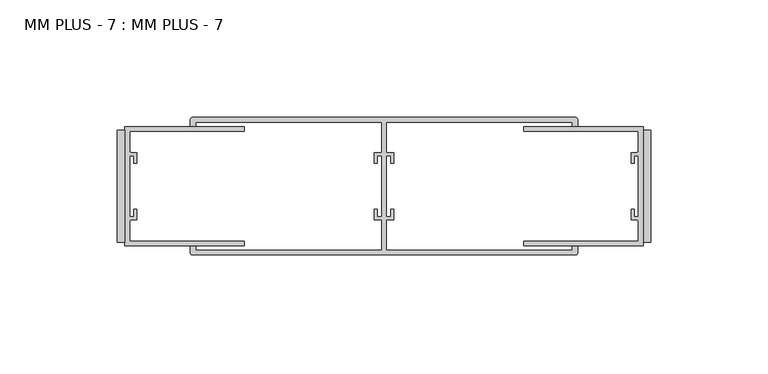
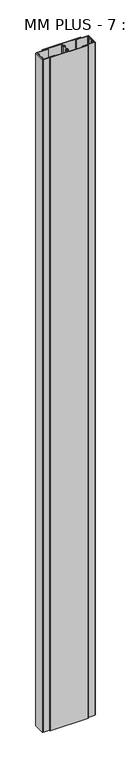
"""IFC4 building model written with IfcOpenShell, lengths in millimetres: proxy geometry, MM PLUS - 7 : MM PLUS - 7."""

import ifcopenshell
import ifcopenshell.guid

model = None  # the IFC model being written
_history = None  # IfcOwnerHistory: only IFC2X3 demands one
_inside = {}  # id of a spatial element -> (the spatial element, [elements in it])
_under = {}  # id of a project, library or spatial element -> (it, [spatial elements below it])
_declared = {}  # id of a project -> (the project, [libraries it declares])
_typed = {}  # id of a type object -> (the type object, [elements of that type])
_made_of = {}  # id of a material, layer set ... -> (it, [elements and type objects made of it])


def new_model(schema):
    """Start an empty IFC model of exactly this schema.

    Asked for "IFC4X3", IfcOpenShell would pick the latest addendum, in which some entities
    have other attributes; the version numbers below select the first issue.
    IFC2X3 requires an IfcOwnerHistory on every rooted entity: one is made here for all.
    """
    global model, _history
    if schema == "IFC4X3":
        model = ifcopenshell.file(schema_version=(4, 3, 0, 0))
    else:
        model = ifcopenshell.file(schema=schema)
    _inside.clear()
    _under.clear()
    _declared.clear()
    _typed.clear()
    _made_of.clear()
    _history = None
    if model.schema == "IFC2X3":
        org = make("IfcOrganization", Name="unknown")
        user = make(
            "IfcPersonAndOrganization",
            ThePerson=make("IfcPerson", FamilyName="unknown"),
            TheOrganization=org,
        )
        app = make(
            "IfcApplication",
            ApplicationDeveloper=org,
            Version="unknown",
            ApplicationFullName="unknown",
            ApplicationIdentifier="unknown",
        )
        _history = make(
            "IfcOwnerHistory",
            OwningUser=user,
            OwningApplication=app,
            ChangeAction="ADDED",
            CreationDate=0,
        )
    return model


def make(cls, **values):
    """One entity of the class cls with the attributes given. An attribute that is None is left unset."""
    return model.create_entity(
        cls, **{name: value for name, value in values.items() if value is not None}
    )


def rooted(cls, **values):
    """An entity with a GlobalId (a new one), such as an element, a storey or a relation."""
    return make(cls, GlobalId=ifcopenshell.guid.new(), OwnerHistory=_history, **values)


def si_unit(unit_type, name, prefix=None):
    """IfcSIUnit, for example si_unit("LENGTHUNIT", "METRE", prefix="MILLI")."""
    return make("IfcSIUnit", UnitType=unit_type, Prefix=prefix, Name=name)


def assignment(units):
    """IfcUnitAssignment: the units of a project."""
    return None if units is None else make("IfcUnitAssignment", Units=units)


def point(xyz):
    """IfcCartesianPoint."""
    return None if xyz is None else make("IfcCartesianPoint", Coordinates=xyz)


def direction(xyz):
    """IfcDirection."""
    return None if xyz is None else make("IfcDirection", DirectionRatios=xyz)


def frame(location, z_axis=None, x_axis=None):
    """IfcAxis2Placement3D, a coordinate frame: its origin and axes. An axis left out is left unset."""
    return make(
        "IfcAxis2Placement3D",
        Location=point(location),
        Axis=direction(z_axis),
        RefDirection=direction(x_axis),
    )


def frame_2d(location, x_axis=None):
    """IfcAxis2Placement2D, a coordinate frame in the plane: its origin and x axis."""
    return make(
        "IfcAxis2Placement2D", Location=point(location), RefDirection=direction(x_axis)
    )


def origin():
    """The frame at (0, 0, 0) with its axes left unset."""
    return frame((0.0, 0.0, 0.0))


def origin_with_axes():
    """The frame at (0, 0, 0) with the z axis (0, 0, 1) and the x axis (1, 0, 0) written out."""
    return frame((0.0, 0.0, 0.0), z_axis=(0.0, 0.0, 1.0), x_axis=(1.0, 0.0, 0.0))


def place(relative_to, where):
    """IfcLocalPlacement: puts the frame where relative to a parent placement (None: the world)."""
    return make(
        "IfcLocalPlacement", PlacementRelTo=relative_to, RelativePlacement=where
    )


def context(
    kind, dimensions, precision=None, world=None, true_north=None, identifier=None
):
    """IfcGeometricRepresentationContext, for example the 3D "Model" context."""
    return make(
        "IfcGeometricRepresentationContext",
        ContextIdentifier=identifier,
        ContextType=kind,
        CoordinateSpaceDimension=dimensions,
        Precision=precision,
        WorldCoordinateSystem=world,
        TrueNorth=true_north,
    )


def project(units=None, contexts=None):
    """IfcProject with its units and contexts."""
    return rooted(
        "IfcProject",
        Name="project",
        RepresentationContexts=contexts,
        UnitsInContext=assignment(units),
    )


def spatial(cls, under=None, at=None, **own):
    """A site, building, storey or space (cls), placed at a placement, below another one or the project."""
    s = rooted(cls, ObjectPlacement=at, **own)
    if under is not None:
        _under.setdefault(under.id(), (under, []))[1].append(s)
    return s


def polyline(points):
    """IfcPolyline through the points."""
    return make("IfcPolyline", Points=[point(p) for p in points])


def circle_curve(where, radius):
    """IfcCircle in the frame where."""
    return make("IfcCircle", Position=where, Radius=radius)


def trimmed(basis, trim1, trim2, sense, master):
    """IfcTrimmedCurve: the piece of a basis curve between two trims."""
    return make(
        "IfcTrimmedCurve",
        BasisCurve=basis,
        Trim1=trim1,
        Trim2=trim2,
        SenseAgreement=sense,
        MasterRepresentation=master,
    )


def segment(curve, same_sense, transition):
    """IfcCompositeCurveSegment."""
    return make(
        "IfcCompositeCurveSegment",
        Transition=transition,
        SameSense=same_sense,
        ParentCurve=curve,
    )


def composite_curve(segments, self_intersect=None):
    """IfcCompositeCurve: segments joined end to end."""
    return make("IfcCompositeCurve", Segments=segments, SelfIntersect=self_intersect)


def outline(outer, holes=None, kind="AREA"):
    """IfcArbitraryClosedProfileDef: a profile drawn as a closed curve; with holes, ...WithVoids."""
    if holes is None:
        return make("IfcArbitraryClosedProfileDef", ProfileType=kind, OuterCurve=outer)
    return make(
        "IfcArbitraryProfileDefWithVoids",
        ProfileType=kind,
        OuterCurve=outer,
        InnerCurves=holes,
    )


def extrude(swept, where, along, depth):
    """IfcExtrudedAreaSolid: the profile swept, set in the frame where, extruded along a direction by depth."""
    return make(
        "IfcExtrudedAreaSolid",
        SweptArea=swept,
        Position=where,
        ExtrudedDirection=direction(along),
        Depth=depth,
    )


def shape(context_of_items, identifier, shape_type, items):
    """IfcShapeRepresentation: the items that make up one representation, for example the "Body"."""
    return make(
        "IfcShapeRepresentation",
        ContextOfItems=context_of_items,
        RepresentationIdentifier=identifier,
        RepresentationType=shape_type,
        Items=items,
    )


def source(mapping_origin, context_of_items, identifier, shape_type, items):
    """IfcRepresentationMap: a shape defined once, which mapped items show again and again."""
    return make(
        "IfcRepresentationMap",
        MappingOrigin=mapping_origin,
        MappedRepresentation=shape(context_of_items, identifier, shape_type, items),
    )


def transform(
    local_origin,
    x_axis=None,
    y_axis=None,
    z_axis=None,
    scale=None,
    scale2=None,
    scale3=None,
    uniform=True,
):
    """IfcCartesianTransformationOperator3D, or its non-uniform kind. x_axis, y_axis, z_axis: its Axis1, 2, 3."""
    if uniform:
        return make(
            "IfcCartesianTransformationOperator3D",
            Axis1=direction(x_axis),
            Axis2=direction(y_axis),
            LocalOrigin=point(local_origin),
            Scale=scale,
            Axis3=direction(z_axis),
        )
    return make(
        "IfcCartesianTransformationOperator3DnonUniform",
        Axis1=direction(x_axis),
        Axis2=direction(y_axis),
        LocalOrigin=point(local_origin),
        Scale=scale,
        Axis3=direction(z_axis),
        Scale2=scale2,
        Scale3=scale3,
    )


def mapped(mapping_source, mapping_target):
    """IfcMappedItem: shows the shape of a source again, moved by a transform."""
    return make(
        "IfcMappedItem", MappingSource=mapping_source, MappingTarget=mapping_target
    )


def made_of(thing, what):
    """Note that an element or type object is made of a material, layer set ...; save() writes the relation."""
    if what is not None:
        _made_of.setdefault(what.id(), (what, []))[1].append(thing)
    return thing


def element(
    cls,
    number,
    at=None,
    inside=None,
    cuts=None,
    type_object=None,
    material=None,
    context=None,
    identifier="Body",
    shape_type=None,
    held_by="IfcProductDefinitionShape",
    body=None,
    shapes=None,
    **own,
):
    """One element of the class cls, such as IfcWall. Its Tag is "e" and its number.

    at: its placement. inside: the storey or other place that contains it. cuts: it is an
    opening in that element (IfcRelVoidsElement). A single representation is given by context,
    identifier, shape_type and body (its items); several are given by shapes. held_by: the class
    of the entity that holds the representations. save() writes the other relations.
    """
    e = rooted(cls, Tag="e%d" % number, ObjectPlacement=at, **own)
    if body is not None:
        shapes = [shape(context, identifier, shape_type, body)]
    if shapes is not None:
        e.Representation = make(held_by, Representations=shapes)
    if inside is not None:
        _inside.setdefault(inside.id(), (inside, []))[1].append(e)
    if cuts is not None:
        rooted(
            "IfcRelVoidsElement", RelatingBuildingElement=cuts, RelatedOpeningElement=e
        )
    if type_object is not None:
        _typed.setdefault(type_object.id(), (type_object, []))[1].append(e)
    return made_of(e, material)


def aggregate(whole, parts):
    """IfcRelAggregates: a whole, such as a stair, and the parts it consists of."""
    return rooted("IfcRelAggregates", RelatingObject=whole, RelatedObjects=parts)


def save(model, path):
    """Write the relations noted so far, then the file.

    IfcRelAggregates (storeys below a building ...), IfcRelContainedInSpatialStructure (elements
    in a storey), IfcRelDefinesByType, IfcRelAssociatesMaterial and IfcRelDeclares: one each for
    every whole, place, type object, material and project.
    """
    for whole, parts in _under.values():
        aggregate(whole, parts)
    for where, things in _inside.values():
        rooted(
            "IfcRelContainedInSpatialStructure",
            RelatedElements=things,
            RelatingStructure=where,
        )
    for kind, things in _typed.values():
        rooted("IfcRelDefinesByType", RelatedObjects=things, RelatingType=kind)
    for what, things in _made_of.values():
        rooted("IfcRelAssociatesMaterial", RelatedObjects=things, RelatingMaterial=what)
    for by, libraries in _declared.values():
        rooted("IfcRelDeclares", RelatingContext=by, RelatedDefinitions=libraries)
    model.write(path)


def mm_plus_7_mm_plus_7_445e73cb(model_context):
    return source(origin(), model_context, "Body", "SweptSolid", [
        extrude(outline(composite_curve([segment(polyline([(-3.175, -25.4), (-53.975, -25.4), (-53.975, -23.4188), (-5.1562, -23.4188), (-5.1562, -15.0674773)]), True, "CONTINUOUS"), segment(trimmed(circle_curve(frame_2d((-5.9182, -15.0674773)), 0.762), [point((-5.1562, -15.0674773))], [point((-5.9182, -14.3054773))], True, "CARTESIAN"), True, "CONTINUOUS"), segment(polyline([(-5.9182, -14.3054773), (-8.3312, -14.3054773), (-8.3312, -9.7334773), (-6.9342, -9.7334773), (-6.9342, -12.9084773), (-5.1562, -12.9084773), (-5.1562, 12.8979227), (-6.9342, 12.8979227), (-6.9342, 9.7229227), (-8.3312, 9.7229227), (-8.3312, 14.2949227), (-5.9182, 14.2949227)]), True, "CONTINUOUS"), segment(trimmed(circle_curve(frame_2d((-5.9182, 15.0569227)), 0.762), [point((-5.9182, 14.2949227))], [point((-5.1562, 15.0569227))], True, "CARTESIAN"), True, "CONTINUOUS"), segment(polyline([(-5.1562, 15.0569227), (-5.1562, 23.4188), (-53.975, 23.4188), (-53.975, 25.4), (-3.175, 25.4), (-3.175, -25.4)]), True, "CONTINUOUS")], self_intersect=False)), origin_with_axes(), (0.0, 0.0, 1.0), 3048.0),
        extrude(outline(polyline([(-3.175, 23.8125), (0.0, 23.8125), (0.0, -23.8125), (-3.175, -23.8125), (-3.175, 23.8125)])), origin_with_axes(), (0.0, 0.0, 1.0), 3048.0),
        extrude(outline(polyline([(-227.0125, 23.8125), (-223.8375, 23.8125), (-223.8375, -23.8125), (-227.0125, -23.8125), (-227.0125, 23.8125)])), origin_with_axes(), (0.0, 0.0, 1.0), 3048.0),
        extrude(outline(composite_curve([segment(polyline([(-33.2542734, 27.305), (-112.51565, 27.305), (-112.51565, 14.3053805), (-109.3035439, 14.3053805), (-109.3035439, 9.7210041), (-110.6926064, 9.7210041), (-110.6926064, 12.9032004), (-112.51565, 12.9032004), (-112.51565, -12.9032004), (-110.6926064, -12.9032004), (-110.6926064, -9.7210041), (-109.3035439, -9.7210041), (-109.3035439, -14.3053805), (-112.51565, -14.3053805), (-112.51565, -27.305), (-33.2542734, -27.305), (-33.2542734, -25.527), (-30.957774, -25.527), (-30.957774, -28.095575)]), True, "CONTINUOUS"), segment(trimmed(circle_curve(frame_2d((-32.148399, -28.095575)), 1.190625), [point((-30.957774, -28.095575))], [point((-32.148399, -29.2862))], False, "CARTESIAN"), True, "CONTINUOUS"), segment(polyline([(-32.148399, -29.2862), (-194.864101, -29.2862)]), True, "CONTINUOUS"), segment(trimmed(circle_curve(frame_2d((-194.864101, -28.095575)), 1.190625), [point((-194.864101, -29.2862))], [point((-196.054726, -28.095575))], False, "CARTESIAN"), True, "CONTINUOUS"), segment(polyline([(-196.054726, -28.095575), (-196.054726, -25.527), (-193.7582266, -25.527), (-193.7582266, -27.305), (-114.49685, -27.305), (-114.49685, -14.3053805), (-117.7089561, -14.3053805), (-117.7089561, -9.7210041), (-116.3198936, -9.7210041), (-116.3198936, -12.9032004), (-114.52965, -12.9032004), (-114.52965, 12.9032004), (-116.3198936, 12.9032004), (-116.3198936, 9.7210041), (-117.7089561, 9.7210041), (-117.7089561, 14.3053805), (-114.49685, 14.3053805), (-114.49685, 27.305), (-193.7582266, 27.305), (-193.7582266, 25.527), (-196.054726, 25.527), (-196.054726, 28.095575)]), True, "CONTINUOUS"), segment(trimmed(circle_curve(frame_2d((-194.864101, 28.095575)), 1.190625), [point((-196.054726, 28.095575))], [point((-194.864101, 29.2862))], False, "CARTESIAN"), True, "CONTINUOUS"), segment(polyline([(-194.864101, 29.2862), (-32.148399, 29.2862)]), True, "CONTINUOUS"), segment(trimmed(circle_curve(frame_2d((-32.148399, 28.095575)), 1.190625), [point((-32.148399, 29.2862))], [point((-30.957774, 28.095575))], False, "CARTESIAN"), True, "CONTINUOUS"), segment(polyline([(-30.957774, 28.095575), (-30.957774, 25.527), (-33.2542734, 25.527), (-33.2542734, 27.305)]), True, "CONTINUOUS")], self_intersect=False)), origin_with_axes(), (0.0, 0.0, 1.0), 3048.0),
        extrude(outline(composite_curve([segment(polyline([(-223.8375, -25.4), (-223.8375, 25.4), (-173.0375, 25.4), (-173.0375, 23.4188), (-221.8563, 23.4188), (-221.8563, 15.0569227)]), True, "CONTINUOUS"), segment(trimmed(circle_curve(frame_2d((-221.0943, 15.0569227)), 0.762), [point((-221.8563, 15.0569227))], [point((-221.0943, 14.2949227))], True, "CARTESIAN"), True, "CONTINUOUS"), segment(polyline([(-221.0943, 14.2949227), (-218.6813, 14.2949227), (-218.6813, 9.7229227), (-220.0783, 9.7229227), (-220.0783, 12.8979227), (-221.8563, 12.8979227), (-221.8563, -12.9084773), (-220.0783, -12.9084773), (-220.0783, -9.7334773), (-218.6813, -9.7334773), (-218.6813, -14.3054773), (-221.0943, -14.3054773)]), True, "CONTINUOUS"), segment(trimmed(circle_curve(frame_2d((-221.0943, -15.0674773)), 0.762), [point((-221.0943, -14.3054773))], [point((-221.8563, -15.0674773))], True, "CARTESIAN"), True, "CONTINUOUS"), segment(polyline([(-221.8563, -15.0674773), (-221.8563, -23.4188), (-173.0375, -23.4188), (-173.0375, -25.4), (-223.8375, -25.4)]), True, "CONTINUOUS")], self_intersect=False)), origin_with_axes(), (0.0, 0.0, 1.0), 3048.0),
    ])


if __name__ == "__main__":
    model = new_model("IFC4")
    model_context = context("Model", 3, world=origin())
    ifc_project = project(units=[si_unit("LENGTHUNIT", "METRE", prefix="MILLI")], contexts=[model_context])
    site = spatial("IfcSite", under=ifc_project)
    building = spatial("IfcBuilding", under=site)
    placement = place(None, origin())
    mm_plus_7_mm_plus_7_shape = mm_plus_7_mm_plus_7_445e73cb(model_context)
    element("IfcBuildingElementProxy", 1, Name="MM PLUS - 7 : MM PLUS - 7", ObjectType="MM PLUS - 7 : MM PLUS - 7", at=placement, inside=building, context=model_context, shape_type="MappedRepresentation", body=[
        mapped(mm_plus_7_mm_plus_7_shape, transform((0.0, 0.0, 0.0), x_axis=(1.0, 0.0, 0.0), y_axis=(0.0, 1.0, 0.0), z_axis=(0.0, 0.0, 1.0))),
    ])
    save(model, "model.ifc")
